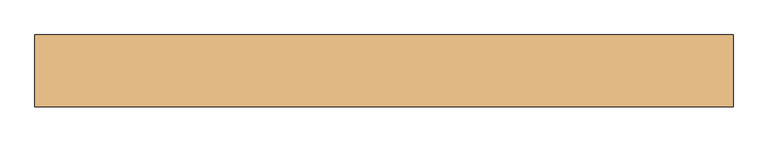
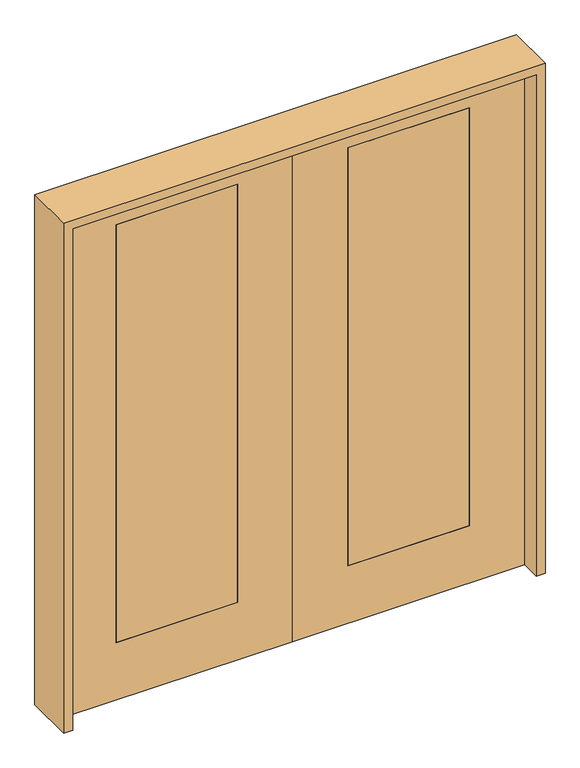
"""IFC4 building model written with IfcOpenShell, lengths in millimetres: door geometry."""

from ifc_helpers import new_model, si_unit, frame, origin, place, context, project, spatial, polyline, outline, extrude, source, transform, mapped, element, save


def door_6ce06ae3(model_context):
    return source(origin(), model_context, "Body", "SweptSolid", [
        extrude(outline(polyline([(2438.4, 1066.8), (2438.4, 0.0), (0.0, 0.0), (0.0, 1066.8), (2438.4, 1066.8)]), holes=[polyline([(279.4, 812.8), (279.4, 254.0), (2311.4, 254.0), (2311.4, 812.8), (279.4, 812.8)])]), frame((0.0, -20.6375, 0.0), z_axis=(0.0, 1.0, 0.0), x_axis=(0.0, 0.0, 1.0)), (0.0, 0.0, 1.0), 41.275),
        extrude(outline(polyline([(254.0, 20.6375), (812.8, 20.6375), (812.8, -20.6375), (254.0, -20.6375), (254.0, 20.6375)])), frame((0.0, 0.0, 279.4), z_axis=(0.0, 0.0, 1.0), x_axis=(1.0, 0.0, 0.0)), (0.0, 0.0, 1.0), 2032.0),
        extrude(outline(polyline([(2438.4, -1066.8), (0.0, -1066.8), (0.0, 0.0), (2438.4, 0.0), (2438.4, -1066.8)]), holes=[polyline([(279.4, -812.8), (2311.4, -812.8), (2311.4, -254.0), (279.4, -254.0), (279.4, -812.8)])]), frame((0.0, -20.6375, 0.0), z_axis=(0.0, 1.0, 0.0), x_axis=(0.0, 0.0, 1.0)), (0.0, 0.0, 1.0), 41.275),
        extrude(outline(polyline([(-254.0, 20.6375), (-254.0, -20.6375), (-812.8, -20.6375), (-812.8, 20.6375), (-254.0, 20.6375)])), frame((0.0, 0.0, 279.4), z_axis=(0.0, 0.0, 1.0), x_axis=(1.0, 0.0, 0.0)), (0.0, 0.0, 1.0), 2032.0),
        extrude(outline(polyline([(2479.675, -1108.075), (0.0, -1108.075), (0.0, -1066.8), (2438.4, -1066.8), (2438.4, 1066.8), (0.0, 1066.8), (0.0, 1108.075), (2479.675, 1108.075), (2479.675, -1108.075)])), frame((0.0, -114.3, 0.0), z_axis=(0.0, 1.0, 0.0), x_axis=(0.0, 0.0, 1.0)), (0.0, 0.0, 1.0), 228.6),
    ])


if __name__ == "__main__":
    model = new_model("IFC4")
    model_context = context("Model", 3, world=origin())
    ifc_project = project(units=[si_unit("LENGTHUNIT", "METRE", prefix="MILLI")], contexts=[model_context])
    site = spatial("IfcSite", under=ifc_project)
    building = spatial("IfcBuilding", under=site)
    placement = place(None, origin())
    door_shape = door_6ce06ae3(model_context)
    element("IfcDoor", 1, at=placement, inside=building, context=model_context, shape_type="MappedRepresentation", body=[
        mapped(door_shape, transform((0.0, 0.0, 0.0), x_axis=(1.0, 0.0, 0.0), y_axis=(0.0, 1.0, 0.0), z_axis=(0.0, 0.0, 1.0))),
    ])
    save(model, "model.ifc")
